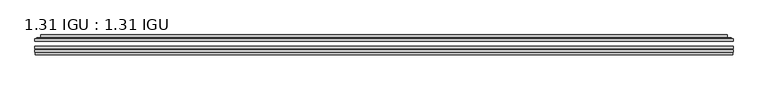
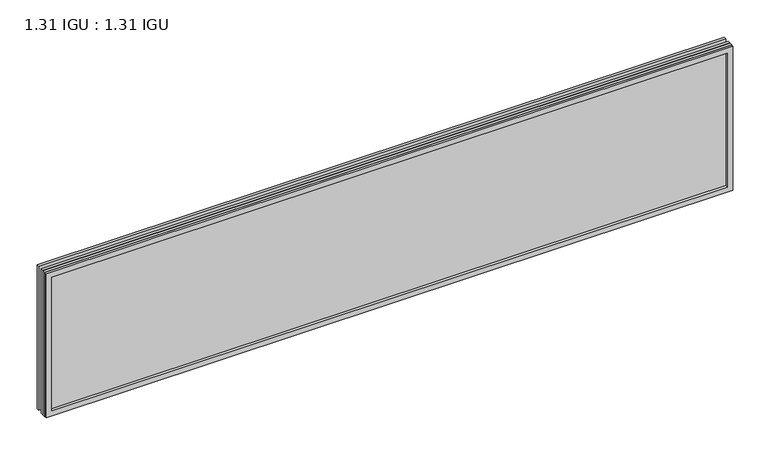
"""IFC4 building model written with IfcOpenShell, lengths in millimetres: plate geometry, 1.31 IGU : 1.31 IGU."""

from ifc_helpers import new_model, si_unit, frame, origin, place, context, project, spatial, polyline, ellipse_curve, outline, extrude, faceted_brep, source, transform, mapped, element, save
from ifc_brep_helpers import plane_surface, cylinder_surface, advanced_brep


def plate_1_31_igu_1_31_igu_448890ba(model_context):
    return source(origin(), model_context, "Body", "SolidModel", [
        extrude(outline(polyline([(871.5519462, -63.59525), (871.5519462, -69.94525), (-871.5377713, -69.94525), (-871.5377713, -63.59525), (871.5519462, -63.59525)])), frame((0.0, 0.0, -14.2875), z_axis=(0.0, 0.0, 1.0), x_axis=(1.0, 0.0, 0.0)), (0.0, 0.0, 1.0), 387.3537979),
        extrude(outline(polyline([(-871.5377713, -78.58125), (-871.5377713, -72.230745), (871.5519462, -72.230745), (871.5519462, -78.58125), (-871.5377713, -78.58125)])), frame((0.0, 0.0, -14.2875), z_axis=(0.0, 0.0, 1.0), x_axis=(1.0, 0.0, 0.0)), (0.0, 0.0, 1.0), 387.3537979),
        extrude(outline(polyline([(871.5519462, -45.25645), (871.5519462, -51.60645), (-871.5377713, -51.60645), (-871.5377713, -45.25645), (871.5519462, -45.25645)])), frame((0.0, 0.0, -14.2875), z_axis=(0.0, 0.0, 1.0), x_axis=(1.0, 0.0, 0.0)), (0.0, 0.0, 1.0), 387.3537979),
        faceted_brep([(-870.8375855, -84.93125, 372.3623142), (-870.8375855, -78.58125, 372.3623142), (-870.8375855, -78.58125, -13.5873142), (-870.8375855, -84.93125, -13.5873142), (870.8375855, -78.58125, -13.5873142), (870.8375855, -84.93125, -13.5873142), (870.8375855, -78.58125, 372.3623142), (870.8375855, -84.93125, 372.3623142), (-856.3525272, -78.58125, 0.8977441), (856.3525272, -78.58125, 0.8977441), (856.3525272, -78.58125, 357.8772559), (-856.3525272, -78.58125, 357.8772559), (-857.2449615, -84.93125, 358.7696902), (857.2449615, -84.93125, 358.7696902), (857.2449615, -84.93125, 0.0053098), (-857.2449615, -84.93125, 0.0053098)], [[[0, 1, 2, 3]], [[3, 2, 4, 5]], [[5, 4, 6, 7]], [[1, 6, 4, 2], [8, 9, 10, 11]], [[7, 6, 1, 0]], [[3, 5, 7, 0], [12, 13, 14, 15]], [[11, 12, 15, 8]], [[8, 15, 14, 9]], [[9, 14, 13, 10]], [[10, 13, 12, 11]]]),
        advanced_brep(
        [(-864.2964903, -45.25645, 365.821219), (-866.6506957, -43.2667833, 368.1754244), (-866.6506957, -43.2667833, -9.4004244), (-864.2964903, -45.25645, -7.046219), (-855.2221652, -41.416413, 356.7468939), (-850.2873334, -45.25645, 351.8120621), (-850.2873334, -45.25645, 6.9629379), (-855.2221652, -41.416413, 2.0281061), (-856.2541929, -36.0191819, 357.7789217), (-856.2541929, -36.0191819, 0.9960783), (-857.2448497, -35.6202069, 358.7695784), (-857.2448497, -35.6202069, 0.0054216), (-857.2448497, -42.08145, 358.7695784), (-857.2448497, -42.08145, 0.0054216), (-865.6489062, -42.08145, 367.1736349), (-865.6489062, -42.08145, -8.3986349), (866.6506957, -43.2667833, -9.4004244), (864.2964903, -45.25645, -7.046219), (850.2873334, -45.25645, 6.9629379), (855.2221652, -41.416413, 2.0281061), (856.2541929, -36.0191819, 0.9960783), (857.2448497, -35.6202069, 0.0054216), (857.2448497, -42.08145, 0.0054216), (865.6489062, -42.08145, -8.3986349), (866.6506957, -43.2667833, 368.1754244), (864.2964903, -45.25645, 365.821219), (850.2873334, -45.25645, 351.8120621), (855.2221652, -41.416413, 356.7468939), (856.2541929, -36.0191819, 357.7789217), (857.2448497, -35.6202069, 358.7695784), (857.2448497, -42.08145, 358.7695784), (865.6489062, -42.08145, 367.1736349)],
        [
            (0, 1, ellipse_curve(frame((-864.2964903, -42.86885, 365.821219), z_axis=(-0.7071067811865475, 0.0, -0.7071067811865475), x_axis=(-0.7071067811865474, 0.0, 0.7071067811865476)), 3.3765763, 2.3876)),
            (1, 2),
            (2, 3, ellipse_curve(frame((-864.2964903, -42.86885, -7.046219), z_axis=(-0.7071067811865475, 0.0, 0.7071067811865475), x_axis=(0.7071067811865474, 0.0, 0.7071067811865476)), 3.3765763, 2.3876)),
            (3, 0),
            (4, 5),
            (5, 6),
            (6, 7),
            (7, 4),
            (8, 4),
            (7, 9),
            (9, 8),
            (10, 8, ellipse_curve(frame((-856.8778931, -36.1384423, 358.4026219), z_axis=(-0.7071067811865475, 0.0, -0.7071067811865475), x_axis=(-0.7071067811865474, 0.0, 0.7071067811865476)), 0.8980256, 0.635)),
            (9, 11, ellipse_curve(frame((-856.8778931, -36.1384423, 0.3723781), z_axis=(-0.7071067811865475, 0.0, 0.7071067811865475), x_axis=(0.7071067811865474, 0.0, 0.7071067811865476)), 0.8980256, 0.635)),
            (11, 10),
            (12, 10),
            (11, 13),
            (13, 12),
            (1, 14, ellipse_curve(frame((-865.6489062, -43.09745, 367.1736349), z_axis=(-0.7071067811865475, 0.0, -0.7071067811865475), x_axis=(-0.7071067811865474, 0.0, 0.7071067811865476)), 1.436841, 1.016)),
            (14, 15),
            (15, 2, ellipse_curve(frame((-865.6489062, -43.09745, -8.3986349), z_axis=(-0.7071067811865475, 0.0, 0.7071067811865475), x_axis=(0.7071067811865474, 0.0, 0.7071067811865476)), 1.436841, 1.016)),
            (2, 16),
            (16, 17, ellipse_curve(frame((864.2964903, -42.86885, -7.046219), z_axis=(-0.7071067811865475, 0.0, -0.7071067811865475), x_axis=(-0.7071067811865476, 0.0, 0.7071067811865474)), 3.3765763, 2.3876)),
            (17, 3),
            (6, 18),
            (18, 19),
            (19, 7),
            (19, 20),
            (20, 9),
            (20, 21, ellipse_curve(frame((856.8778931, -36.1384423, 0.3723781), z_axis=(-0.7071067811865475, 0.0, -0.7071067811865475), x_axis=(-0.7071067811865476, 0.0, 0.7071067811865474)), 0.8980256, 0.635)),
            (21, 11),
            (21, 22),
            (22, 13),
            (15, 23),
            (23, 16, ellipse_curve(frame((865.6489062, -43.09745, -8.3986349), z_axis=(-0.7071067811865475, 0.0, -0.7071067811865475), x_axis=(-0.7071067811865476, 0.0, 0.7071067811865474)), 1.436841, 1.016)),
            (16, 24),
            (24, 25, ellipse_curve(frame((864.2964903, -42.86885, 365.821219), z_axis=(0.7071067811865475, 0.0, -0.7071067811865475), x_axis=(-0.7071067811865474, 0.0, -0.7071067811865476)), 3.3765763, 2.3876)),
            (25, 17),
            (18, 26),
            (26, 27),
            (27, 19),
            (27, 28),
            (28, 20),
            (28, 29, ellipse_curve(frame((856.8778931, -36.1384423, 358.4026219), z_axis=(0.7071067811865475, 0.0, -0.7071067811865475), x_axis=(-0.7071067811865474, 0.0, -0.7071067811865476)), 0.8980256, 0.635)),
            (29, 21),
            (29, 30),
            (30, 22),
            (23, 31),
            (31, 24, ellipse_curve(frame((865.6489062, -43.09745, 367.1736349), z_axis=(0.7071067811865475, 0.0, -0.7071067811865475), x_axis=(-0.7071067811865474, 0.0, -0.7071067811865476)), 1.436841, 1.016)),
            (24, 1),
            (0, 25),
            (5, 26),
            (4, 27),
            (8, 28),
            (10, 29),
            (12, 30),
            (14, 31),
        ],
        [
            cylinder_surface(frame((-864.2964903, -42.86885, 390.525), z_axis=(0.0, 0.0, 1.0), x_axis=(-1.0, 0.0, 0.0)), 2.3876),
            plane_surface(frame((-850.2873334, -45.25645, 351.8120621), z_axis=(0.6141233906514794, 0.7892100234124821, 0.0), x_axis=(0.0, 0.0, -1.0))),
            plane_surface(frame((-855.2221652, -41.416413, 356.7468939), z_axis=(0.9822050625507729, 0.18781164793386076, 0.0), x_axis=(0.0, 0.0, -1.0))),
            cylinder_surface(frame((-856.8778931, -36.1384423, 390.525), z_axis=(0.0, 0.0, 1.0), x_axis=(-1.0, 0.0, 0.0)), 0.635),
            plane_surface(frame((-857.2448497, -35.6202069, 358.7695784), z_axis=(-1.0, 0.0, 0.0), x_axis=(0.0, 0.0, -1.0))),
            cylinder_surface(frame((-865.6489062, -43.09745, 390.525), z_axis=(0.0, 0.0, 1.0), x_axis=(-1.0, 0.0, 0.0)), 1.016),
            cylinder_surface(frame((-889.0002713, -42.86885, -7.046219), z_axis=(-1.0, 0.0, 0.0), x_axis=(0.0, 0.0, -1.0)), 2.3876),
            plane_surface(frame((-850.2873334, -45.25645, 6.9629379), z_axis=(0.0, 0.7892100234124841, 0.6141233906514768), x_axis=(1.0, 0.0, 0.0))),
            plane_surface(frame((-855.2221652, -41.416413, 2.0281061), z_axis=(0.0, 0.18781164793386393, 0.9822050625507723), x_axis=(1.0, 0.0, 0.0))),
            cylinder_surface(frame((-889.0002713, -36.1384423, 0.3723781), z_axis=(-1.0, 0.0, 0.0), x_axis=(0.0, 0.0, -1.0)), 0.635),
            plane_surface(frame((-857.2448497, -35.6202069, 0.0054216), z_axis=(0.0, 0.0, -1.0), x_axis=(1.0, 0.0, 0.0))),
            cylinder_surface(frame((-889.0002713, -43.09745, -8.3986349), z_axis=(-1.0, 0.0, 0.0), x_axis=(0.0, 0.0, -1.0)), 1.016),
            cylinder_surface(frame((864.2964903, -42.86885, -31.75), z_axis=(0.0, 0.0, -1.0), x_axis=(1.0, 0.0, 0.0)), 2.3876),
            plane_surface(frame((850.2873334, -45.25645, 6.9629379), z_axis=(-0.6141233906514743, 0.7892100234124861, 0.0), x_axis=(0.0, 0.0, 1.0))),
            plane_surface(frame((855.2221652, -41.416413, 2.0281061), z_axis=(-0.9822050625507718, 0.1878116479338671, 0.0), x_axis=(0.0, 0.0, 1.0))),
            cylinder_surface(frame((856.8778931, -36.1384423, -31.75), z_axis=(0.0, 0.0, -1.0), x_axis=(1.0, 0.0, 0.0)), 0.635),
            plane_surface(frame((857.2448497, -35.6202069, 0.0054216), z_axis=(1.0, 0.0, 0.0), x_axis=(0.0, 0.0, 1.0))),
            cylinder_surface(frame((865.6489062, -43.09745, -31.75), z_axis=(0.0, 0.0, -1.0), x_axis=(1.0, 0.0, 0.0)), 1.016),
            cylinder_surface(frame((889.0002713, -42.86885, 365.821219), z_axis=(1.0, 0.0, 0.0), x_axis=(0.0, 0.0, 1.0)), 2.3876),
            plane_surface(frame((864.2964903, -45.25645, 365.821219), z_axis=(0.0, -1.0, 0.0), x_axis=(-1.0, 0.0, 0.0))),
            plane_surface(frame((850.2873334, -45.25645, 351.8120621), z_axis=(0.0, 0.7892100234124841, -0.6141233906514768), x_axis=(-1.0, 0.0, 0.0))),
            plane_surface(frame((855.2221652, -41.416413, 356.7468939), z_axis=(0.0, 0.18781164793386393, -0.9822050625507723), x_axis=(-1.0, 0.0, 0.0))),
            cylinder_surface(frame((889.0002713, -36.1384423, 358.4026219), z_axis=(1.0, 0.0, 0.0), x_axis=(0.0, 0.0, 1.0)), 0.635),
            plane_surface(frame((857.2448497, -35.6202069, 358.7695784), z_axis=(0.0, 0.0, 1.0), x_axis=(-1.0, 0.0, 0.0))),
            plane_surface(frame((857.2448497, -42.08145, 358.7695784), z_axis=(0.0, 1.0, 0.0), x_axis=(-1.0, 0.0, 0.0))),
            cylinder_surface(frame((889.0002713, -43.09745, 367.1736349), z_axis=(1.0, 0.0, 0.0), x_axis=(0.0, 0.0, 1.0)), 1.016),
        ],
        [
            (0, [[1, 2, 3, 4]]),
            (1, [[5, 6, 7, 8]]),
            (2, [[9, -8, 10, 11]]),
            (3, [[12, -11, 13, 14]]),
            (4, [[15, -14, 16, 17]]),
            (5, [[18, 19, 20, -2]]),
            (6, [[-3, 21, 22, 23]]),
            (7, [[-7, 24, 25, 26]]),
            (8, [[-10, -26, 27, 28]]),
            (9, [[-13, -28, 29, 30]]),
            (10, [[-16, -30, 31, 32]]),
            (11, [[-20, 33, 34, -21]]),
            (12, [[-22, 35, 36, 37]]),
            (13, [[-25, 38, 39, 40]]),
            (14, [[-27, -40, 41, 42]]),
            (15, [[-29, -42, 43, 44]]),
            (16, [[-31, -44, 45, 46]]),
            (17, [[-34, 47, 48, -35]]),
            (18, [[-36, 49, -1, 50]]),
            (19, [[-23, -37, -50, -4], [51, -38, -24, -6]]),
            (20, [[-39, -51, -5, 52]]),
            (21, [[-41, -52, -9, 53]]),
            (22, [[-43, -53, -12, 54]]),
            (23, [[-45, -54, -15, 55]]),
            (24, [[56, -47, -33, -19], [-32, -46, -55, -17]]),
            (25, [[-48, -56, -18, -49]]),
        ],
    ),
    ])


if __name__ == "__main__":
    model = new_model("IFC4")
    model_context = context("Model", 3, world=origin())
    ifc_project = project(units=[si_unit("LENGTHUNIT", "METRE", prefix="MILLI")], contexts=[model_context])
    site = spatial("IfcSite", under=ifc_project)
    building = spatial("IfcBuilding", under=site)
    placement = place(None, origin())
    plate_1_31_igu_1_31_igu_shape = plate_1_31_igu_1_31_igu_448890ba(model_context)
    element("IfcPlate", 1, ObjectType="1.31 IGU : 1.31 IGU", at=placement, inside=building, context=model_context, shape_type="MappedRepresentation", body=[
        mapped(plate_1_31_igu_1_31_igu_shape, transform((0.0, 0.0, 0.0), x_axis=(1.0, 0.0, 0.0), y_axis=(0.0, 1.0, 0.0), z_axis=(0.0, 0.0, 1.0))),
    ])
    save(model, "model.ifc")
